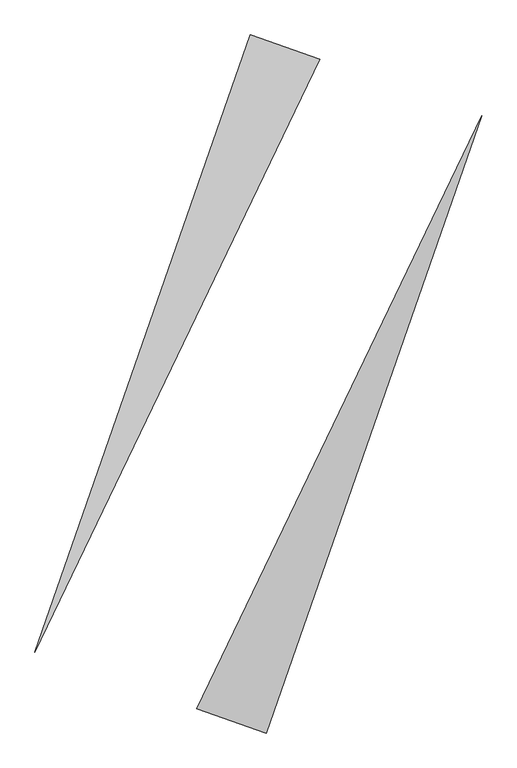
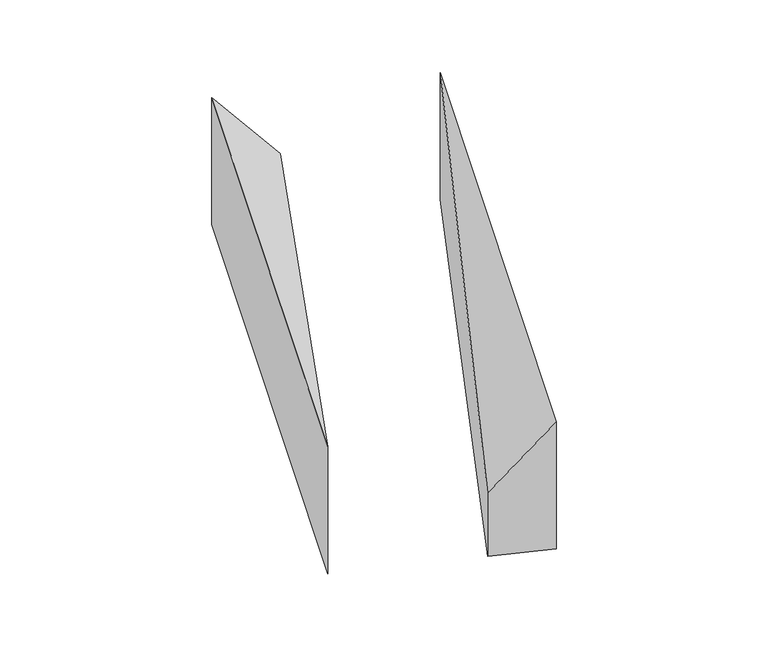
"""IFC4 building model written with IfcOpenShell, lengths in millimetres: proxy geometry."""

from ifc_helpers import new_model, si_unit, origin, place, context, project, spatial, faceted_brep, source, transform, mapped, element, save


def generic_models_1fbb3544(model_context):
    return source(origin(), model_context, "Body", "Brep", [
        faceted_brep([(376.1381411, 1987.088347, 0.0), (-48.7031458, 2135.4456218, 0.0), (-48.7031458, 2135.4456218, 1000.0), (376.1381411, 1987.088347, 500.0), (-1367.4344771, -1640.9213725, 0.0), (-1367.4344771, -1640.9213725, 1000.0)], [[[0, 1, 2, 3]], [[1, 4, 5, 2]], [[4, 0, 3, 5]], [[3, 2, 5]], [[0, 4, 1]]]),
        faceted_brep([(48.7031458, -2135.4456218, 0.0), (1367.4344771, 1640.9213725, 0.0), (1367.4344771, 1640.9213725, 1000.0), (48.7031458, -2135.4456218, 1000.0), (-376.1381411, -1987.088347, 0.0), (-376.1381411, -1987.088347, 500.0)], [[[0, 1, 2, 3]], [[1, 4, 5, 2]], [[4, 0, 3, 5]], [[2, 5, 3]], [[0, 4, 1]]]),
    ])


if __name__ == "__main__":
    model = new_model("IFC4")
    model_context = context("Model", 3, world=origin())
    ifc_project = project(units=[si_unit("LENGTHUNIT", "METRE", prefix="MILLI")], contexts=[model_context])
    site = spatial("IfcSite", under=ifc_project)
    building = spatial("IfcBuilding", under=site)
    placement = place(None, origin())
    generic_models_shape = generic_models_1fbb3544(model_context)
    element("IfcBuildingElementProxy", 1, Name="Generic Models", at=placement, inside=building, context=model_context, shape_type="MappedRepresentation", body=[
        mapped(generic_models_shape, transform((0.0, 0.0, 0.0), x_axis=(1.0, 0.0, 0.0), y_axis=(0.0, 1.0, 0.0), z_axis=(0.0, 0.0, 1.0))),
    ])
    save(model, "model.ifc")
